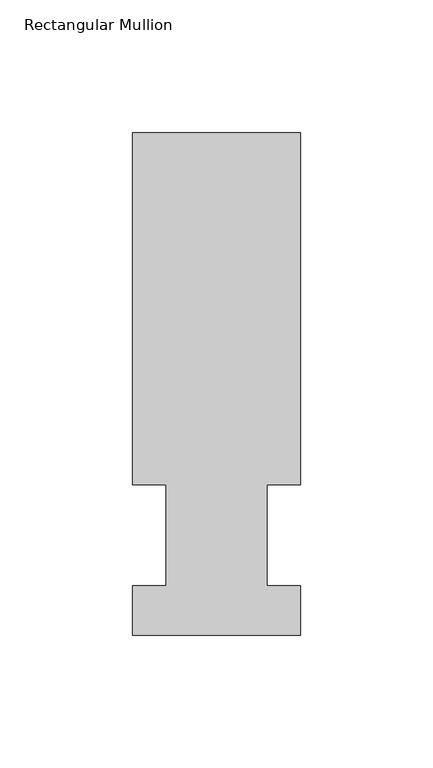
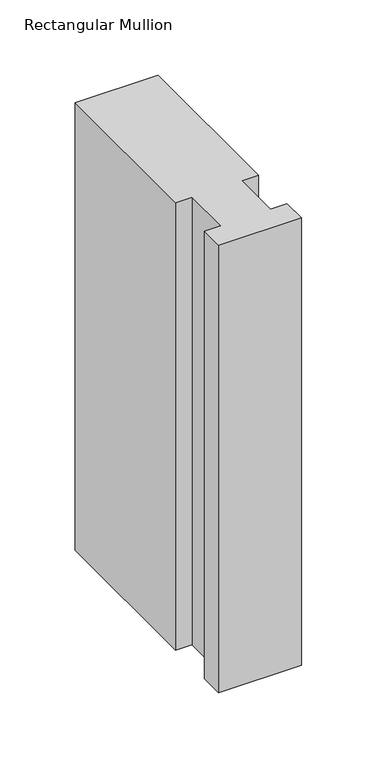
"""IFC4 building model written with IfcOpenShell, lengths in millimetres: member geometry, Rectangular Mullion."""

from ifc_helpers import new_model, si_unit, frame, origin, place, context, project, spatial, polyline, outline, extrude, source, transform, mapped, element, save


def rectangular_mullion_048f078b(model_context):
    return source(origin(), model_context, "Body", "SweptSolid", [
        extrude(outline(polyline([(31.75, 151.9936), (31.75, 19.05), (19.0499746, 19.05), (19.0499746, -19.05), (31.75, -19.05), (31.75, -37.6936), (-31.75, -37.6936), (-31.75, -19.05), (-19.05, -19.05), (-19.05, 19.05), (-31.75, 19.05), (-31.75, 151.9936), (31.75, 151.9936)])), frame((0.0, 0.0, -361.9495158), z_axis=(0.0, 0.0, 1.0), x_axis=(1.0, 0.0, 0.0)), (0.0, 0.0, 1.0), 361.9495158),
    ])


if __name__ == "__main__":
    model = new_model("IFC4")
    model_context = context("Model", 3, world=origin())
    ifc_project = project(units=[si_unit("LENGTHUNIT", "METRE", prefix="MILLI")], contexts=[model_context])
    site = spatial("IfcSite", under=ifc_project)
    building = spatial("IfcBuilding", under=site)
    placement = place(None, origin())
    rectangular_mullion_shape = rectangular_mullion_048f078b(model_context)
    element("IfcMember", 1, ObjectType="Rectangular Mullion", at=placement, inside=building, context=model_context, shape_type="MappedRepresentation", body=[
        mapped(rectangular_mullion_shape, transform((0.0, 0.0, 0.0), x_axis=(1.0, 0.0, 0.0), y_axis=(0.0, 1.0, 0.0), z_axis=(0.0, 0.0, 1.0))),
    ])
    save(model, "model.ifc")
